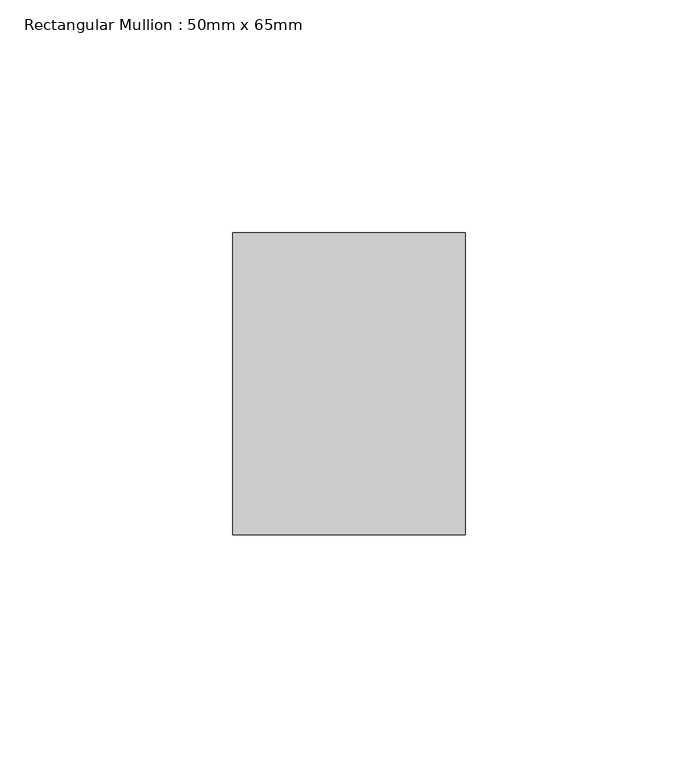
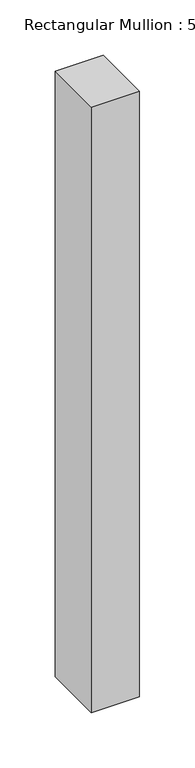
"""IFC4 building model written with IfcOpenShell, lengths in millimetres: member geometry, Rectangular Mullion : 50mm x 65mm."""

import ifcopenshell
import ifcopenshell.guid

model = None  # the IFC model being written
_history = None  # IfcOwnerHistory: only IFC2X3 demands one
_inside = {}  # id of a spatial element -> (the spatial element, [elements in it])
_under = {}  # id of a project, library or spatial element -> (it, [spatial elements below it])
_declared = {}  # id of a project -> (the project, [libraries it declares])
_typed = {}  # id of a type object -> (the type object, [elements of that type])
_made_of = {}  # id of a material, layer set ... -> (it, [elements and type objects made of it])


def new_model(schema):
    """Start an empty IFC model of exactly this schema.

    Asked for "IFC4X3", IfcOpenShell would pick the latest addendum, in which some entities
    have other attributes; the version numbers below select the first issue.
    IFC2X3 requires an IfcOwnerHistory on every rooted entity: one is made here for all.
    """
    global model, _history
    if schema == "IFC4X3":
        model = ifcopenshell.file(schema_version=(4, 3, 0, 0))
    else:
        model = ifcopenshell.file(schema=schema)
    _inside.clear()
    _under.clear()
    _declared.clear()
    _typed.clear()
    _made_of.clear()
    _history = None
    if model.schema == "IFC2X3":
        org = make("IfcOrganization", Name="unknown")
        user = make(
            "IfcPersonAndOrganization",
            ThePerson=make("IfcPerson", FamilyName="unknown"),
            TheOrganization=org,
        )
        app = make(
            "IfcApplication",
            ApplicationDeveloper=org,
            Version="unknown",
            ApplicationFullName="unknown",
            ApplicationIdentifier="unknown",
        )
        _history = make(
            "IfcOwnerHistory",
            OwningUser=user,
            OwningApplication=app,
            ChangeAction="ADDED",
            CreationDate=0,
        )
    return model


def make(cls, **values):
    """One entity of the class cls with the attributes given. An attribute that is None is left unset."""
    return model.create_entity(
        cls, **{name: value for name, value in values.items() if value is not None}
    )


def rooted(cls, **values):
    """An entity with a GlobalId (a new one), such as an element, a storey or a relation."""
    return make(cls, GlobalId=ifcopenshell.guid.new(), OwnerHistory=_history, **values)


def si_unit(unit_type, name, prefix=None):
    """IfcSIUnit, for example si_unit("LENGTHUNIT", "METRE", prefix="MILLI")."""
    return make("IfcSIUnit", UnitType=unit_type, Prefix=prefix, Name=name)


def assignment(units):
    """IfcUnitAssignment: the units of a project."""
    return None if units is None else make("IfcUnitAssignment", Units=units)


def point(xyz):
    """IfcCartesianPoint."""
    return None if xyz is None else make("IfcCartesianPoint", Coordinates=xyz)


def direction(xyz):
    """IfcDirection."""
    return None if xyz is None else make("IfcDirection", DirectionRatios=xyz)


def frame(location, z_axis=None, x_axis=None):
    """IfcAxis2Placement3D, a coordinate frame: its origin and axes. An axis left out is left unset."""
    return make(
        "IfcAxis2Placement3D",
        Location=point(location),
        Axis=direction(z_axis),
        RefDirection=direction(x_axis),
    )


def origin():
    """The frame at (0, 0, 0) with its axes left unset."""
    return frame((0.0, 0.0, 0.0))


def place(relative_to, where):
    """IfcLocalPlacement: puts the frame where relative to a parent placement (None: the world)."""
    return make(
        "IfcLocalPlacement", PlacementRelTo=relative_to, RelativePlacement=where
    )


def context(
    kind, dimensions, precision=None, world=None, true_north=None, identifier=None
):
    """IfcGeometricRepresentationContext, for example the 3D "Model" context."""
    return make(
        "IfcGeometricRepresentationContext",
        ContextIdentifier=identifier,
        ContextType=kind,
        CoordinateSpaceDimension=dimensions,
        Precision=precision,
        WorldCoordinateSystem=world,
        TrueNorth=true_north,
    )


def project(units=None, contexts=None):
    """IfcProject with its units and contexts."""
    return rooted(
        "IfcProject",
        Name="project",
        RepresentationContexts=contexts,
        UnitsInContext=assignment(units),
    )


def spatial(cls, under=None, at=None, **own):
    """A site, building, storey or space (cls), placed at a placement, below another one or the project."""
    s = rooted(cls, ObjectPlacement=at, **own)
    if under is not None:
        _under.setdefault(under.id(), (under, []))[1].append(s)
    return s


def polyline(points):
    """IfcPolyline through the points."""
    return make("IfcPolyline", Points=[point(p) for p in points])


def outline(outer, holes=None, kind="AREA"):
    """IfcArbitraryClosedProfileDef: a profile drawn as a closed curve; with holes, ...WithVoids."""
    if holes is None:
        return make("IfcArbitraryClosedProfileDef", ProfileType=kind, OuterCurve=outer)
    return make(
        "IfcArbitraryProfileDefWithVoids",
        ProfileType=kind,
        OuterCurve=outer,
        InnerCurves=holes,
    )


def extrude(swept, where, along, depth):
    """IfcExtrudedAreaSolid: the profile swept, set in the frame where, extruded along a direction by depth."""
    return make(
        "IfcExtrudedAreaSolid",
        SweptArea=swept,
        Position=where,
        ExtrudedDirection=direction(along),
        Depth=depth,
    )


def shape(context_of_items, identifier, shape_type, items):
    """IfcShapeRepresentation: the items that make up one representation, for example the "Body"."""
    return make(
        "IfcShapeRepresentation",
        ContextOfItems=context_of_items,
        RepresentationIdentifier=identifier,
        RepresentationType=shape_type,
        Items=items,
    )


def source(mapping_origin, context_of_items, identifier, shape_type, items):
    """IfcRepresentationMap: a shape defined once, which mapped items show again and again."""
    return make(
        "IfcRepresentationMap",
        MappingOrigin=mapping_origin,
        MappedRepresentation=shape(context_of_items, identifier, shape_type, items),
    )


def transform(
    local_origin,
    x_axis=None,
    y_axis=None,
    z_axis=None,
    scale=None,
    scale2=None,
    scale3=None,
    uniform=True,
):
    """IfcCartesianTransformationOperator3D, or its non-uniform kind. x_axis, y_axis, z_axis: its Axis1, 2, 3."""
    if uniform:
        return make(
            "IfcCartesianTransformationOperator3D",
            Axis1=direction(x_axis),
            Axis2=direction(y_axis),
            LocalOrigin=point(local_origin),
            Scale=scale,
            Axis3=direction(z_axis),
        )
    return make(
        "IfcCartesianTransformationOperator3DnonUniform",
        Axis1=direction(x_axis),
        Axis2=direction(y_axis),
        LocalOrigin=point(local_origin),
        Scale=scale,
        Axis3=direction(z_axis),
        Scale2=scale2,
        Scale3=scale3,
    )


def mapped(mapping_source, mapping_target):
    """IfcMappedItem: shows the shape of a source again, moved by a transform."""
    return make(
        "IfcMappedItem", MappingSource=mapping_source, MappingTarget=mapping_target
    )


def made_of(thing, what):
    """Note that an element or type object is made of a material, layer set ...; save() writes the relation."""
    if what is not None:
        _made_of.setdefault(what.id(), (what, []))[1].append(thing)
    return thing


def element(
    cls,
    number,
    at=None,
    inside=None,
    cuts=None,
    type_object=None,
    material=None,
    context=None,
    identifier="Body",
    shape_type=None,
    held_by="IfcProductDefinitionShape",
    body=None,
    shapes=None,
    **own,
):
    """One element of the class cls, such as IfcWall. Its Tag is "e" and its number.

    at: its placement. inside: the storey or other place that contains it. cuts: it is an
    opening in that element (IfcRelVoidsElement). A single representation is given by context,
    identifier, shape_type and body (its items); several are given by shapes. held_by: the class
    of the entity that holds the representations. save() writes the other relations.
    """
    e = rooted(cls, Tag="e%d" % number, ObjectPlacement=at, **own)
    if body is not None:
        shapes = [shape(context, identifier, shape_type, body)]
    if shapes is not None:
        e.Representation = make(held_by, Representations=shapes)
    if inside is not None:
        _inside.setdefault(inside.id(), (inside, []))[1].append(e)
    if cuts is not None:
        rooted(
            "IfcRelVoidsElement", RelatingBuildingElement=cuts, RelatedOpeningElement=e
        )
    if type_object is not None:
        _typed.setdefault(type_object.id(), (type_object, []))[1].append(e)
    return made_of(e, material)


def aggregate(whole, parts):
    """IfcRelAggregates: a whole, such as a stair, and the parts it consists of."""
    return rooted("IfcRelAggregates", RelatingObject=whole, RelatedObjects=parts)


def save(model, path):
    """Write the relations noted so far, then the file.

    IfcRelAggregates (storeys below a building ...), IfcRelContainedInSpatialStructure (elements
    in a storey), IfcRelDefinesByType, IfcRelAssociatesMaterial and IfcRelDeclares: one each for
    every whole, place, type object, material and project.
    """
    for whole, parts in _under.values():
        aggregate(whole, parts)
    for where, things in _inside.values():
        rooted(
            "IfcRelContainedInSpatialStructure",
            RelatedElements=things,
            RelatingStructure=where,
        )
    for kind, things in _typed.values():
        rooted("IfcRelDefinesByType", RelatedObjects=things, RelatingType=kind)
    for what, things in _made_of.values():
        rooted("IfcRelAssociatesMaterial", RelatedObjects=things, RelatingMaterial=what)
    for by, libraries in _declared.values():
        rooted("IfcRelDeclares", RelatingContext=by, RelatedDefinitions=libraries)
    model.write(path)


def rectangular_mullion_50mm_x_65mm_bbdf89b7(model_context):
    return source(origin(), model_context, "Body", "SweptSolid", [
        extrude(outline(polyline([(25.0, 32.5), (25.0, -32.5), (-25.0, -32.5), (-25.0, 32.5), (25.0, 32.5)])), frame((0.0, 0.0, -667.540452), z_axis=(0.0, 0.0, 1.0), x_axis=(1.0, 0.0, 0.0)), (0.0, 0.0, 1.0), 667.540452),
    ])


if __name__ == "__main__":
    model = new_model("IFC4")
    model_context = context("Model", 3, world=origin())
    ifc_project = project(units=[si_unit("LENGTHUNIT", "METRE", prefix="MILLI")], contexts=[model_context])
    site = spatial("IfcSite", under=ifc_project)
    building = spatial("IfcBuilding", under=site)
    placement = place(None, origin())
    rectangular_mullion_50mm_x_65mm_shape = rectangular_mullion_50mm_x_65mm_bbdf89b7(model_context)
    element("IfcMember", 1, ObjectType="Rectangular Mullion : 50mm x 65mm", at=placement, inside=building, context=model_context, shape_type="MappedRepresentation", body=[
        mapped(rectangular_mullion_50mm_x_65mm_shape, transform((0.0, 0.0, 0.0), x_axis=(1.0, 0.0, 0.0), y_axis=(0.0, 1.0, 0.0), z_axis=(0.0, 0.0, 1.0))),
    ])
    save(model, "model.ifc")
